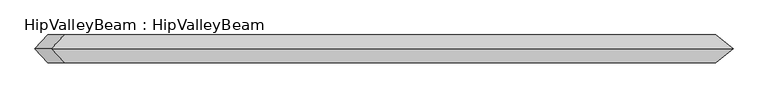
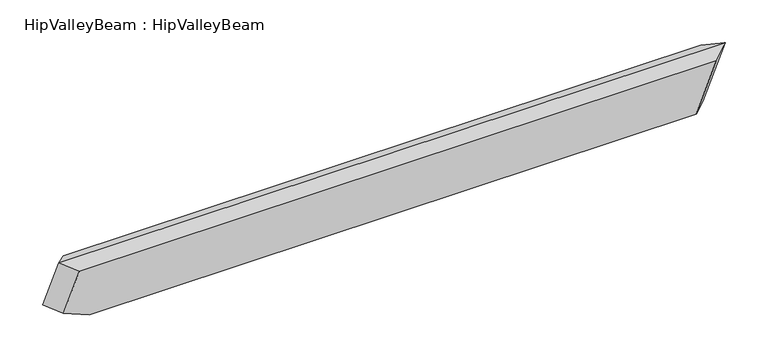
"""IFC4 building model written with IfcOpenShell, lengths in millimetres: beam geometry, HipValleyBeam : HipValleyBeam."""

from ifc_helpers import new_model, si_unit, origin, place, context, project, spatial, faceted_brep, source, transform, mapped, element, save


def hipvalleybeam_hipvalleybeam_9eca48e5(model_context):
    return source(origin(), model_context, "Body", "Brep", [
        faceted_brep([(869.5949601, 40.0, -160.0), (912.799898, 0.0, -160.0), (869.5949601, -40.0, -160.0), (-911.1517854, -40.0, -160.0), (-911.1517854, 40.0, -160.0), (928.7425525, 40.0, -15.1185789), (-987.5083234, 40.0, -128.8275739), (-941.0868205, 40.0, -15.1185789), (928.7425525, -40.0, -15.1185789), (-941.0868205, -40.0, -15.1185789), (-987.5083234, -40.0, -128.8275739), (978.1196245, 0.0, 0.0), (-978.1196245, 0.0, 0.0), (-1024.5411273, 0.0, -113.708995)], [[[0, 1, 2, 3, 4]], [[5, 0, 4, 6, 7]], [[2, 8, 9, 10, 3]], [[2, 1, 11, 8]], [[1, 0, 5, 11]], [[12, 7, 6, 13]], [[9, 12, 13, 10]], [[12, 11, 5, 7]], [[4, 3, 10, 13, 6]], [[11, 12, 9, 8]]]),
    ])


if __name__ == "__main__":
    model = new_model("IFC4")
    model_context = context("Model", 3, world=origin())
    ifc_project = project(units=[si_unit("LENGTHUNIT", "METRE", prefix="MILLI")], contexts=[model_context])
    site = spatial("IfcSite", under=ifc_project)
    building = spatial("IfcBuilding", under=site)
    placement = place(None, origin())
    hipvalleybeam_hipvalleybeam_shape = hipvalleybeam_hipvalleybeam_9eca48e5(model_context)
    element("IfcBeam", 1, ObjectType="HipValleyBeam : HipValleyBeam", at=placement, inside=building, context=model_context, shape_type="MappedRepresentation", body=[
        mapped(hipvalleybeam_hipvalleybeam_shape, transform((0.0, 0.0, 0.0), x_axis=(1.0, 0.0, 0.0), y_axis=(0.0, 1.0, 0.0), z_axis=(0.0, 0.0, 1.0))),
    ])
    save(model, "model.ifc")
